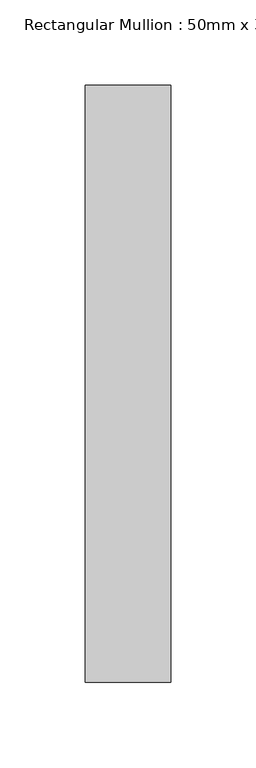
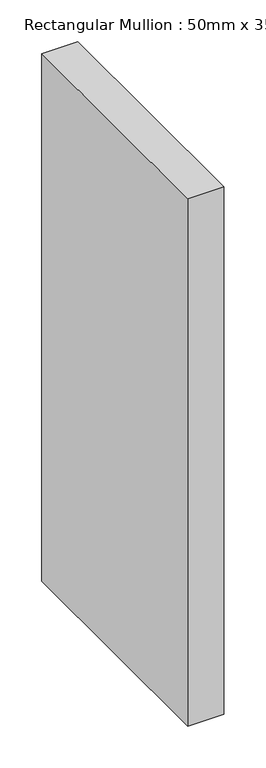
"""IFC4 building model written with IfcOpenShell, lengths in millimetres: member geometry, Rectangular Mullion : 50mm x 350mm."""

import ifcopenshell
import ifcopenshell.guid

model = None  # the IFC model being written
_history = None  # IfcOwnerHistory: only IFC2X3 demands one
_inside = {}  # id of a spatial element -> (the spatial element, [elements in it])
_under = {}  # id of a project, library or spatial element -> (it, [spatial elements below it])
_declared = {}  # id of a project -> (the project, [libraries it declares])
_typed = {}  # id of a type object -> (the type object, [elements of that type])
_made_of = {}  # id of a material, layer set ... -> (it, [elements and type objects made of it])


def new_model(schema):
    """Start an empty IFC model of exactly this schema.

    Asked for "IFC4X3", IfcOpenShell would pick the latest addendum, in which some entities
    have other attributes; the version numbers below select the first issue.
    IFC2X3 requires an IfcOwnerHistory on every rooted entity: one is made here for all.
    """
    global model, _history
    if schema == "IFC4X3":
        model = ifcopenshell.file(schema_version=(4, 3, 0, 0))
    else:
        model = ifcopenshell.file(schema=schema)
    _inside.clear()
    _under.clear()
    _declared.clear()
    _typed.clear()
    _made_of.clear()
    _history = None
    if model.schema == "IFC2X3":
        org = make("IfcOrganization", Name="unknown")
        user = make(
            "IfcPersonAndOrganization",
            ThePerson=make("IfcPerson", FamilyName="unknown"),
            TheOrganization=org,
        )
        app = make(
            "IfcApplication",
            ApplicationDeveloper=org,
            Version="unknown",
            ApplicationFullName="unknown",
            ApplicationIdentifier="unknown",
        )
        _history = make(
            "IfcOwnerHistory",
            OwningUser=user,
            OwningApplication=app,
            ChangeAction="ADDED",
            CreationDate=0,
        )
    return model


def make(cls, **values):
    """One entity of the class cls with the attributes given. An attribute that is None is left unset."""
    return model.create_entity(
        cls, **{name: value for name, value in values.items() if value is not None}
    )


def rooted(cls, **values):
    """An entity with a GlobalId (a new one), such as an element, a storey or a relation."""
    return make(cls, GlobalId=ifcopenshell.guid.new(), OwnerHistory=_history, **values)


def si_unit(unit_type, name, prefix=None):
    """IfcSIUnit, for example si_unit("LENGTHUNIT", "METRE", prefix="MILLI")."""
    return make("IfcSIUnit", UnitType=unit_type, Prefix=prefix, Name=name)


def assignment(units):
    """IfcUnitAssignment: the units of a project."""
    return None if units is None else make("IfcUnitAssignment", Units=units)


def point(xyz):
    """IfcCartesianPoint."""
    return None if xyz is None else make("IfcCartesianPoint", Coordinates=xyz)


def direction(xyz):
    """IfcDirection."""
    return None if xyz is None else make("IfcDirection", DirectionRatios=xyz)


def frame(location, z_axis=None, x_axis=None):
    """IfcAxis2Placement3D, a coordinate frame: its origin and axes. An axis left out is left unset."""
    return make(
        "IfcAxis2Placement3D",
        Location=point(location),
        Axis=direction(z_axis),
        RefDirection=direction(x_axis),
    )


def origin():
    """The frame at (0, 0, 0) with its axes left unset."""
    return frame((0.0, 0.0, 0.0))


def place(relative_to, where):
    """IfcLocalPlacement: puts the frame where relative to a parent placement (None: the world)."""
    return make(
        "IfcLocalPlacement", PlacementRelTo=relative_to, RelativePlacement=where
    )


def context(
    kind, dimensions, precision=None, world=None, true_north=None, identifier=None
):
    """IfcGeometricRepresentationContext, for example the 3D "Model" context."""
    return make(
        "IfcGeometricRepresentationContext",
        ContextIdentifier=identifier,
        ContextType=kind,
        CoordinateSpaceDimension=dimensions,
        Precision=precision,
        WorldCoordinateSystem=world,
        TrueNorth=true_north,
    )


def project(units=None, contexts=None):
    """IfcProject with its units and contexts."""
    return rooted(
        "IfcProject",
        Name="project",
        RepresentationContexts=contexts,
        UnitsInContext=assignment(units),
    )


def spatial(cls, under=None, at=None, **own):
    """A site, building, storey or space (cls), placed at a placement, below another one or the project."""
    s = rooted(cls, ObjectPlacement=at, **own)
    if under is not None:
        _under.setdefault(under.id(), (under, []))[1].append(s)
    return s


def polyline(points):
    """IfcPolyline through the points."""
    return make("IfcPolyline", Points=[point(p) for p in points])


def outline(outer, holes=None, kind="AREA"):
    """IfcArbitraryClosedProfileDef: a profile drawn as a closed curve; with holes, ...WithVoids."""
    if holes is None:
        return make("IfcArbitraryClosedProfileDef", ProfileType=kind, OuterCurve=outer)
    return make(
        "IfcArbitraryProfileDefWithVoids",
        ProfileType=kind,
        OuterCurve=outer,
        InnerCurves=holes,
    )


def extrude(swept, where, along, depth):
    """IfcExtrudedAreaSolid: the profile swept, set in the frame where, extruded along a direction by depth."""
    return make(
        "IfcExtrudedAreaSolid",
        SweptArea=swept,
        Position=where,
        ExtrudedDirection=direction(along),
        Depth=depth,
    )


def shape(context_of_items, identifier, shape_type, items):
    """IfcShapeRepresentation: the items that make up one representation, for example the "Body"."""
    return make(
        "IfcShapeRepresentation",
        ContextOfItems=context_of_items,
        RepresentationIdentifier=identifier,
        RepresentationType=shape_type,
        Items=items,
    )


def source(mapping_origin, context_of_items, identifier, shape_type, items):
    """IfcRepresentationMap: a shape defined once, which mapped items show again and again."""
    return make(
        "IfcRepresentationMap",
        MappingOrigin=mapping_origin,
        MappedRepresentation=shape(context_of_items, identifier, shape_type, items),
    )


def transform(
    local_origin,
    x_axis=None,
    y_axis=None,
    z_axis=None,
    scale=None,
    scale2=None,
    scale3=None,
    uniform=True,
):
    """IfcCartesianTransformationOperator3D, or its non-uniform kind. x_axis, y_axis, z_axis: its Axis1, 2, 3."""
    if uniform:
        return make(
            "IfcCartesianTransformationOperator3D",
            Axis1=direction(x_axis),
            Axis2=direction(y_axis),
            LocalOrigin=point(local_origin),
            Scale=scale,
            Axis3=direction(z_axis),
        )
    return make(
        "IfcCartesianTransformationOperator3DnonUniform",
        Axis1=direction(x_axis),
        Axis2=direction(y_axis),
        LocalOrigin=point(local_origin),
        Scale=scale,
        Axis3=direction(z_axis),
        Scale2=scale2,
        Scale3=scale3,
    )


def mapped(mapping_source, mapping_target):
    """IfcMappedItem: shows the shape of a source again, moved by a transform."""
    return make(
        "IfcMappedItem", MappingSource=mapping_source, MappingTarget=mapping_target
    )


def made_of(thing, what):
    """Note that an element or type object is made of a material, layer set ...; save() writes the relation."""
    if what is not None:
        _made_of.setdefault(what.id(), (what, []))[1].append(thing)
    return thing


def element(
    cls,
    number,
    at=None,
    inside=None,
    cuts=None,
    type_object=None,
    material=None,
    context=None,
    identifier="Body",
    shape_type=None,
    held_by="IfcProductDefinitionShape",
    body=None,
    shapes=None,
    **own,
):
    """One element of the class cls, such as IfcWall. Its Tag is "e" and its number.

    at: its placement. inside: the storey or other place that contains it. cuts: it is an
    opening in that element (IfcRelVoidsElement). A single representation is given by context,
    identifier, shape_type and body (its items); several are given by shapes. held_by: the class
    of the entity that holds the representations. save() writes the other relations.
    """
    e = rooted(cls, Tag="e%d" % number, ObjectPlacement=at, **own)
    if body is not None:
        shapes = [shape(context, identifier, shape_type, body)]
    if shapes is not None:
        e.Representation = make(held_by, Representations=shapes)
    if inside is not None:
        _inside.setdefault(inside.id(), (inside, []))[1].append(e)
    if cuts is not None:
        rooted(
            "IfcRelVoidsElement", RelatingBuildingElement=cuts, RelatedOpeningElement=e
        )
    if type_object is not None:
        _typed.setdefault(type_object.id(), (type_object, []))[1].append(e)
    return made_of(e, material)


def aggregate(whole, parts):
    """IfcRelAggregates: a whole, such as a stair, and the parts it consists of."""
    return rooted("IfcRelAggregates", RelatingObject=whole, RelatedObjects=parts)


def save(model, path):
    """Write the relations noted so far, then the file.

    IfcRelAggregates (storeys below a building ...), IfcRelContainedInSpatialStructure (elements
    in a storey), IfcRelDefinesByType, IfcRelAssociatesMaterial and IfcRelDeclares: one each for
    every whole, place, type object, material and project.
    """
    for whole, parts in _under.values():
        aggregate(whole, parts)
    for where, things in _inside.values():
        rooted(
            "IfcRelContainedInSpatialStructure",
            RelatedElements=things,
            RelatingStructure=where,
        )
    for kind, things in _typed.values():
        rooted("IfcRelDefinesByType", RelatedObjects=things, RelatingType=kind)
    for what, things in _made_of.values():
        rooted("IfcRelAssociatesMaterial", RelatedObjects=things, RelatingMaterial=what)
    for by, libraries in _declared.values():
        rooted("IfcRelDeclares", RelatingContext=by, RelatedDefinitions=libraries)
    model.write(path)


def rectangular_mullion_50mm_x_350mm_b89be3bb(model_context):
    return source(origin(), model_context, "Body", "SweptSolid", [
        extrude(outline(polyline([(0.0, 175.0), (0.0, -175.0), (-50.0, -175.0), (-50.0, 175.0), (0.0, 175.0)])), frame((0.0, 0.0, -771.6), z_axis=(0.0, 0.0, 1.0), x_axis=(1.0, 0.0, 0.0)), (0.0, 0.0, 1.0), 771.6),
    ])


if __name__ == "__main__":
    model = new_model("IFC4")
    model_context = context("Model", 3, world=origin())
    ifc_project = project(units=[si_unit("LENGTHUNIT", "METRE", prefix="MILLI")], contexts=[model_context])
    site = spatial("IfcSite", under=ifc_project)
    building = spatial("IfcBuilding", under=site)
    placement = place(None, origin())
    rectangular_mullion_50mm_x_350mm_shape = rectangular_mullion_50mm_x_350mm_b89be3bb(model_context)
    element("IfcMember", 1, ObjectType="Rectangular Mullion : 50mm x 350mm", at=placement, inside=building, context=model_context, shape_type="MappedRepresentation", body=[
        mapped(rectangular_mullion_50mm_x_350mm_shape, transform((0.0, 0.0, 0.0), x_axis=(1.0, 0.0, 0.0), y_axis=(0.0, 1.0, 0.0), z_axis=(0.0, 0.0, 1.0))),
    ])
    save(model, "model.ifc")
